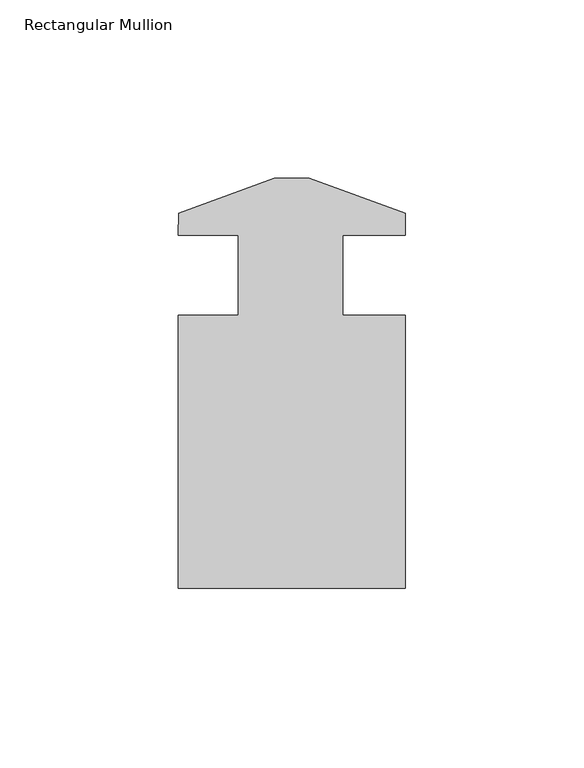
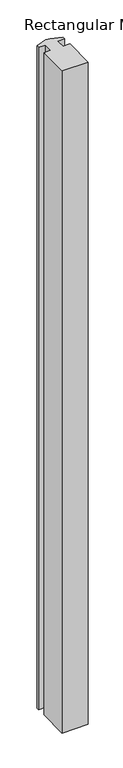
"""IFC4 building model written with IfcOpenShell, lengths in millimetres: member geometry, Rectangular Mullion."""

from ifc_helpers import new_model, si_unit, frame, origin, place, context, project, spatial, polyline, outline, extrude, source, transform, mapped, element, save


def rectangular_mullion_800f266d(model_context):
    return source(origin(), model_context, "Body", "SweptSolid", [
        extrude(outline(polyline([(-31.6999958, -9.4257812), (-4.9022, 0.3278188), (4.9522042, 0.3278188), (31.75, -9.4257812), (31.75, -15.5217812), (14.2875, -15.5217812), (14.2875, -38.0007812), (31.75, -38.0007812), (31.75, -114.5309812), (-31.75, -114.5309812), (-31.75, -38.0007812), (-15.0622, -38.0007812), (-15.0622, -15.5217813), (-31.75, -15.5217812), (-31.6999958, -9.4257812)])), frame((0.0, 0.0, -1696.9637014), z_axis=(0.0, 0.0, 1.0), x_axis=(1.0, 0.0, 0.0)), (0.0, 0.0, 1.0), 1696.9637014),
    ])


if __name__ == "__main__":
    model = new_model("IFC4")
    model_context = context("Model", 3, world=origin())
    ifc_project = project(units=[si_unit("LENGTHUNIT", "METRE", prefix="MILLI")], contexts=[model_context])
    site = spatial("IfcSite", under=ifc_project)
    building = spatial("IfcBuilding", under=site)
    placement = place(None, origin())
    rectangular_mullion_shape = rectangular_mullion_800f266d(model_context)
    element("IfcMember", 1, ObjectType="Rectangular Mullion", at=placement, inside=building, context=model_context, shape_type="MappedRepresentation", body=[
        mapped(rectangular_mullion_shape, transform((0.0, 0.0, 0.0), x_axis=(1.0, 0.0, 0.0), y_axis=(0.0, 1.0, 0.0), z_axis=(0.0, 0.0, 1.0))),
    ])
    save(model, "model.ifc")
